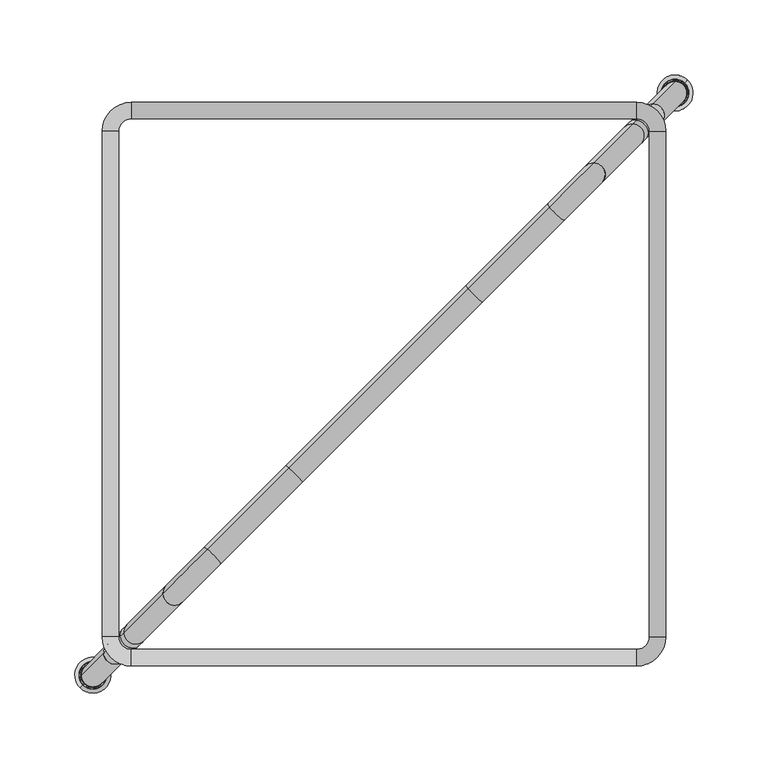
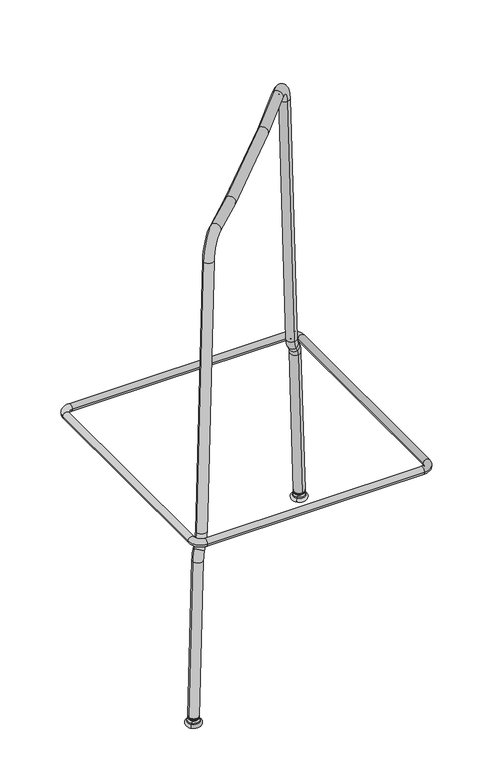
"""IFC4 building model written with IfcOpenShell, lengths in millimetres: furniture geometry."""

from ifc_helpers import new_model, si_unit, point, frame, origin, place, context, project, spatial, polyline, circle_curve, ellipse_curve, trimmed, source, transform, mapped, element, save
from ifc_brep_helpers import plane_surface, cylinder_surface, revolved_surface, advanced_brep


def furniture_5149c031(model_context):
    return source(origin(), model_context, "Body", "AdvancedBrep", [
        advanced_brep(
        [(177.2836681, 168.8127877, 283.0216135), (168.8136525, 177.2828033, 283.0216135), (168.8136525, 188.2827721, 283.0216135), (188.2836369, 168.8127877, 283.0216135), (188.2836369, -168.8202106, 283.0216135), (177.2836681, -168.8202106, 283.0216135), (168.8136525, -177.2902263, 283.0216135), (168.8136525, -188.290195, 283.0216135), (-168.8193458, -188.290195, 283.0216135), (-168.8193458, -177.2902263, 283.0216135), (-177.2893614, -168.8202106, 283.0216135), (-188.2893302, -168.8202106, 283.0216135), (-188.2893302, 168.8127877, 283.0216135), (-177.2893614, 168.8127877, 283.0216135), (-168.8193458, 177.2828033, 283.0216135), (-168.8193458, 188.2827721, 283.0216135)],
        [
            (0, 1, circle_curve(frame((168.8136525, 168.8127877, 283.0216135), z_axis=(0.0, 0.0, 1.0), x_axis=(0.0, 1.0, 0.0)), 8.4700156)),
            (1, 2, circle_curve(frame((168.8136525, 182.7827877, 283.0216135), z_axis=(1.0, 0.0, 0.0), x_axis=(0.0, -1.0, 0.0)), 5.4999844)),
            (2, 3, circle_curve(frame((168.8136525, 168.8127877, 283.0216135), z_axis=(0.0, 0.0, -1.0), x_axis=(0.0, 1.0, 0.0)), 19.4699844)),
            (3, 0, circle_curve(frame((182.7836525, 168.8127877, 283.0216135), z_axis=(0.0, 1.0, 0.0), x_axis=(-1.0, 0.0, 0.0)), 5.4999844)),
            (2, 1, circle_curve(frame((168.8136525, 182.7827877, 283.0216135), z_axis=(1.0, 0.0, 0.0), x_axis=(0.0, -1.0, 0.0)), 5.4999844)),
            (0, 3, circle_curve(frame((182.7836525, 168.8127877, 283.0216135), z_axis=(0.0, 1.0, 0.0), x_axis=(-1.0, 0.0, 0.0)), 5.4999844)),
            (3, 4),
            (4, 5, circle_curve(frame((182.7836525, -168.8202106, 283.0216135), z_axis=(0.0, 1.0, 0.0), x_axis=(-1.0, 0.0, 0.0)), 5.4999844)),
            (5, 0),
            (5, 4, circle_curve(frame((182.7836525, -168.8202106, 283.0216135), z_axis=(0.0, 1.0, 0.0), x_axis=(-1.0, 0.0, 0.0)), 5.4999844)),
            (6, 5, circle_curve(frame((168.8136525, -168.8202106, 283.0216135), z_axis=(0.0, 0.0, 1.0), x_axis=(1.0, 0.0, 0.0)), 8.4700156)),
            (4, 7, circle_curve(frame((168.8136525, -168.8202106, 283.0216135), z_axis=(0.0, 0.0, -1.0), x_axis=(1.0, 0.0, 0.0)), 19.4699844)),
            (7, 6, circle_curve(frame((168.8136525, -182.7902106, 283.0216135), z_axis=(1.0, 0.0, 0.0), x_axis=(0.0, 1.0, 0.0)), 5.4999844)),
            (6, 7, circle_curve(frame((168.8136525, -182.7902106, 283.0216135), z_axis=(1.0, 0.0, 0.0), x_axis=(0.0, 1.0, 0.0)), 5.4999844)),
            (7, 8),
            (8, 9, circle_curve(frame((-168.8193458, -182.7902106, 283.0216135), z_axis=(1.0, 0.0, 0.0), x_axis=(0.0, 1.0, 0.0)), 5.4999844)),
            (9, 6),
            (9, 8, circle_curve(frame((-168.8193458, -182.7902106, 283.0216135), z_axis=(1.0, 0.0, 0.0), x_axis=(0.0, 1.0, 0.0)), 5.4999844)),
            (10, 9, circle_curve(frame((-168.8193458, -168.8202106, 283.0216135), z_axis=(0.0, 0.0, 1.0), x_axis=(0.0, -1.0, 0.0)), 8.4700156)),
            (8, 11, circle_curve(frame((-168.8193458, -168.8202106, 283.0216135), z_axis=(0.0, 0.0, -1.0), x_axis=(0.0, -1.0, 0.0)), 19.4699844)),
            (11, 10, circle_curve(frame((-182.7893458, -168.8202106, 283.0216135), z_axis=(0.0, -1.0, 0.0), x_axis=(1.0, 0.0, 0.0)), 5.4999844)),
            (10, 11, circle_curve(frame((-182.7893458, -168.8202106, 283.0216135), z_axis=(0.0, -1.0, 0.0), x_axis=(1.0, 0.0, 0.0)), 5.4999844)),
            (11, 12),
            (12, 13, circle_curve(frame((-182.7893458, 168.8127877, 283.0216135), z_axis=(0.0, -1.0, 0.0), x_axis=(1.0, 0.0, 0.0)), 5.4999844)),
            (13, 10),
            (13, 12, circle_curve(frame((-182.7893458, 168.8127877, 283.0216135), z_axis=(0.0, -1.0, 0.0), x_axis=(1.0, 0.0, 0.0)), 5.4999844)),
            (14, 13, circle_curve(frame((-168.8193458, 168.8127877, 283.0216135), z_axis=(0.0, 0.0, 1.0), x_axis=(-1.0, 0.0, 0.0)), 8.4700156)),
            (12, 15, circle_curve(frame((-168.8193458, 168.8127877, 283.0216135), z_axis=(0.0, 0.0, -1.0), x_axis=(-1.0, 0.0, 0.0)), 19.4699844)),
            (15, 14, circle_curve(frame((-168.8193458, 182.7827877, 283.0216135), z_axis=(-1.0, 0.0, 0.0), x_axis=(0.0, -1.0, 0.0)), 5.4999844)),
            (14, 15, circle_curve(frame((-168.8193458, 182.7827877, 283.0216135), z_axis=(-1.0, 0.0, 0.0), x_axis=(0.0, -1.0, 0.0)), 5.4999844)),
            (15, 2),
            (1, 14),
        ],
        [
            revolved_surface(trimmed(ellipse_curve(frame((168.8136525, 182.7827877, 283.0216135), z_axis=(-1.0, 0.0, 0.0), x_axis=(0.0, -1.0, 0.0)), 5.4999844, 5.4999844), [point((168.8136525, 188.2827721, 283.0216135))], [point((168.8136525, 177.2828033, 283.0216135))], True, "CARTESIAN"), (168.8136525, 168.8127877, 283.0216135), (0.0, 0.0, -1.0)),
            revolved_surface(trimmed(ellipse_curve(frame((168.8136525, 182.7827877, 283.0216135), z_axis=(-1.0, 0.0, 0.0), x_axis=(0.0, -1.0, 0.0)), 5.4999844, 5.4999844), [point((168.8136525, 177.2828033, 283.0216135))], [point((168.8136525, 188.2827721, 283.0216135))], True, "CARTESIAN"), (168.8136525, 168.8127877, 283.0216135), (0.0, 0.0, -1.0)),
            cylinder_surface(frame((182.7836525, 168.8127877, 283.0216135), z_axis=(0.0, 1.0, 0.0), x_axis=(-1.0, 0.0, 0.0)), 5.4999844),
            revolved_surface(trimmed(ellipse_curve(frame((182.7836525, -168.8202106, 283.0216135), z_axis=(0.0, 1.0, 0.0), x_axis=(-1.0, 0.0, 0.0)), 5.4999844, 5.4999844), [point((188.2836369, -168.8202106, 283.0216135))], [point((177.2836681, -168.8202106, 283.0216135))], True, "CARTESIAN"), (168.8136525, -168.8202106, 283.0216135), (0.0, 0.0, -1.0)),
            revolved_surface(trimmed(ellipse_curve(frame((182.7836525, -168.8202106, 283.0216135), z_axis=(0.0, 1.0, 0.0), x_axis=(-1.0, 0.0, 0.0)), 5.4999844, 5.4999844), [point((177.2836681, -168.8202106, 283.0216135))], [point((188.2836369, -168.8202106, 283.0216135))], True, "CARTESIAN"), (168.8136525, -168.8202106, 283.0216135), (0.0, 0.0, -1.0)),
            cylinder_surface(frame((168.8136525, -182.7902106, 283.0216135), z_axis=(1.0, 0.0, 0.0), x_axis=(0.0, 1.0, 0.0)), 5.4999844),
            revolved_surface(trimmed(ellipse_curve(frame((-168.8193458, -182.7902106, 283.0216135), z_axis=(1.0, 0.0, 0.0), x_axis=(0.0, 1.0, 0.0)), 5.4999844, 5.4999844), [point((-168.8193458, -188.290195, 283.0216135))], [point((-168.8193458, -177.2902263, 283.0216135))], True, "CARTESIAN"), (-168.8193458, -168.8202106, 283.0216135), (0.0, 0.0, -1.0)),
            revolved_surface(trimmed(ellipse_curve(frame((-168.8193458, -182.7902106, 283.0216135), z_axis=(1.0, 0.0, 0.0), x_axis=(0.0, 1.0, 0.0)), 5.4999844, 5.4999844), [point((-168.8193458, -177.2902263, 283.0216135))], [point((-168.8193458, -188.290195, 283.0216135))], True, "CARTESIAN"), (-168.8193458, -168.8202106, 283.0216135), (0.0, 0.0, -1.0)),
            cylinder_surface(frame((-182.7893458, -168.8202106, 283.0216135), z_axis=(0.0, -1.0, 0.0), x_axis=(1.0, 0.0, 0.0)), 5.4999844),
            revolved_surface(trimmed(ellipse_curve(frame((-182.7893458, 168.8127877, 283.0216135), z_axis=(0.0, -1.0, 0.0), x_axis=(1.0, 0.0, 0.0)), 5.4999844, 5.4999844), [point((-188.2893302, 168.8127877, 283.0216135))], [point((-177.2893614, 168.8127877, 283.0216135))], True, "CARTESIAN"), (-168.8193458, 168.8127877, 283.0216135), (0.0, 0.0, -1.0)),
            revolved_surface(trimmed(ellipse_curve(frame((-182.7893458, 168.8127877, 283.0216135), z_axis=(0.0, -1.0, 0.0), x_axis=(1.0, 0.0, 0.0)), 5.4999844, 5.4999844), [point((-177.2893614, 168.8127877, 283.0216135))], [point((-188.2893302, 168.8127877, 283.0216135))], True, "CARTESIAN"), (-168.8193458, 168.8127877, 283.0216135), (0.0, 0.0, -1.0)),
            cylinder_surface(frame((-168.8193458, 182.7827877, 283.0216135), z_axis=(-1.0, 0.0, 0.0), x_axis=(0.0, -1.0, 0.0)), 5.4999844),
        ],
        [
            (0, [[1, 2, 3, 4]]),
            (1, [[-3, 5, -1, 6]]),
            (2, [[-4, 7, 8, 9]]),
            (2, [[-6, -9, 10, -7]]),
            (3, [[11, -8, 12, 13]]),
            (4, [[-12, -10, -11, 14]]),
            (5, [[-13, 15, 16, 17]]),
            (5, [[-14, -17, 18, -15]]),
            (6, [[19, -16, 20, 21]]),
            (7, [[-20, -18, -19, 22]]),
            (8, [[-21, 23, 24, 25]]),
            (8, [[-22, -25, 26, -23]]),
            (9, [[27, -24, 28, 29]]),
            (10, [[-28, -26, -27, 30]]),
            (11, [[-29, 31, -2, 32]]),
            (11, [[-30, -32, -5, -31]]),
        ],
    ),
        advanced_brep(
        [(187.8736161, 188.0302614, 5.4942542), (200.9743694, 201.1310146, 5.4942542), (200.7885454, 200.9451907, 6.9846371), (188.05944, 188.2160853, 6.9846371), (187.8736161, 188.0302614, -0.0154222), (200.9743694, 201.1310146, -0.0154222), (194.4239927, 194.580638, -0.0154222), (194.4239927, 194.580638, 6.9846371)],
        [
            (0, 1, circle_curve(frame((194.4239927, 194.580638, 5.4942542), z_axis=(0.0, 0.0, 1.0), x_axis=(0.7071067811865506, 0.7071067811865445, 0.0)), 9.2636315)),
            (1, 2, circle_curve(frame((204.7328151, 204.8894604, 7.1998356), z_axis=(-0.7071067811865445, 0.7071067811865506, 0.0), x_axis=(0.7071067811865506, 0.7071067811865445, 0.0)), 5.5821893)),
            (2, 3, circle_curve(frame((194.4239927, 194.580638, 6.9846371), z_axis=(0.0, 0.0, -1.0), x_axis=(0.7071067811865506, 0.7071067811865445, 0.0)), 9.0008368)),
            (3, 0, circle_curve(frame((184.1151703, 184.2718156, 7.1998356), z_axis=(-0.7071067811865468, 0.7071067811865482, 0.0), x_axis=(-0.7071067811865482, -0.7071067811865468, 0.0)), 5.5821893)),
            (1, 0, circle_curve(frame((194.4239927, 194.580638, 5.4942542), z_axis=(0.0, 0.0, 1.0), x_axis=(0.7071067811865506, 0.7071067811865445, 0.0)), 9.2636315)),
            (3, 2, circle_curve(frame((194.4239927, 194.580638, 6.9846371), z_axis=(0.0, 0.0, -1.0), x_axis=(0.7071067811865506, 0.7071067811865445, 0.0)), 9.0008368)),
            (4, 5, circle_curve(frame((194.4239927, 194.580638, -0.0154222), z_axis=(0.0, 0.0, 1.0), x_axis=(0.7071067811865506, 0.7071067811865445, 0.0)), 9.2636315)),
            (5, 1, circle_curve(frame((200.9743694, 201.1310146, 2.739416), z_axis=(0.7071067811865445, -0.7071067811865506, 0.0), x_axis=(0.7071067811865506, 0.7071067811865445, 0.0)), 2.7548382)),
            (0, 4, circle_curve(frame((187.8736161, 188.0302614, 2.739416), z_axis=(0.7071067811865468, -0.7071067811865482, 0.0), x_axis=(-0.7071067811865482, -0.7071067811865468, 0.0)), 2.7548382)),
            (5, 4, circle_curve(frame((194.4239927, 194.580638, -0.0154222), z_axis=(0.0, 0.0, 1.0), x_axis=(0.7071067811865506, 0.7071067811865445, 0.0)), 9.2636315)),
            (6, 5),
            (4, 6),
            (2, 7),
            (7, 3),
        ],
        [
            revolved_surface(trimmed(ellipse_curve(frame((204.7328151, 204.8894604, 7.1998356), z_axis=(0.7071067811865445, -0.7071067811865506, 0.0), x_axis=(0.7071067811865506, 0.7071067811865445, 0.0)), 5.5821893, 5.5821893), [point((200.7885454, 200.9451907, 6.9846371))], [point((200.9743694, 201.1310146, 5.4942542))], True, "CARTESIAN"), (194.4239927, 194.580638, 6.9846371), (0.0, 0.0, -1.0)),
            revolved_surface(trimmed(ellipse_curve(frame((200.9743694, 201.1310146, 2.739416), z_axis=(-0.7071067811865445, 0.7071067811865506, 0.0), x_axis=(0.7071067811865506, 0.7071067811865445, 0.0)), 2.7548382, 2.7548382), [point((200.9743694, 201.1310146, 5.4942542))], [point((200.9743694, 201.1310146, -0.0154222))], True, "CARTESIAN"), (194.4239927, 194.580638, 6.9846371), (0.0, 0.0, -1.0)),
            plane_surface(frame((194.4239927, 194.580638, -0.0154222), z_axis=(0.0, 0.0, -1.0), x_axis=(0.7071067811865506, 0.7071067811865445, 0.0))),
            plane_surface(frame((194.4239927, 194.580638, 6.9846371), z_axis=(0.0, 0.0, 1.0), x_axis=(0.7071067811865506, 0.7071067811865445, 0.0))),
        ],
        [
            (0, [[1, 2, 3, 4]]),
            (0, [[5, -4, 6, -2]]),
            (1, [[7, 8, -1, 9]]),
            (1, [[10, -9, -5, -8]]),
            (2, [[11, -7, 12]]),
            (2, [[-12, -10, -11]]),
            (3, [[-3, 13, 14]]),
            (3, [[-6, -14, -13]]),
        ],
    ),
        advanced_brep(
        [(188.7861989, 188.9428442, 12.2870613), (200.0569189, 200.2135642, 13.6815611), (194.4215589, 194.5782042, 12.9843112), (188.9026175, 189.0592628, 11.0466917), (200.0945712, 200.2512165, 12.4314459), (188.9403435, 189.0969888, 9.7965877), (200.2109158, 200.3675611, 11.1910692), (189.7849487, 189.941594, 9.9010887), (199.3663107, 199.522956, 11.0865682), (194.8507861, 195.0074314, 6.0460521)],
        [
            (0, 1, circle_curve(frame((194.4215589, 194.5782042, 12.9843112), z_axis=(-0.06162841671622309, -0.061628416716222836, 0.9961946980917451), x_axis=(0.7044160264027615, 0.7044160264027554, 0.08715574274766327)), 8.0000452)),
            (1, 2),
            (2, 0),
            (1, 0, circle_curve(frame((194.4215589, 194.5782042, 12.9843112), z_axis=(-0.06162841671622309, -0.061628416716222836, 0.9961946980917451), x_axis=(0.7044160264027615, 0.7044160264027554, 0.08715574274766327)), 8.0000452)),
            (3, 4, circle_curve(frame((194.4985943, 194.6552396, 11.7390688), z_axis=(-0.06162841671622309, -0.061628416716222836, 0.9961946980917451), x_axis=(0.7044160264027615, 0.7044160264027554, 0.08715574274766327)), 7.9441362)),
            (4, 1),
            (0, 3),
            (4, 3, circle_curve(frame((194.4985943, 194.6552396, 11.7390688), z_axis=(-0.06162841671622309, -0.061628416716222836, 0.9961946980917451), x_axis=(0.7044160264027615, 0.7044160264027554, 0.08715574274766327)), 7.9441362)),
            (5, 6, circle_curve(frame((194.5756297, 194.732275, 10.4938285), z_axis=(-0.06162841671622309, -0.061628416716222836, 0.9961946980917451), x_axis=(0.7044160264027615, 0.7044160264027554, 0.08715574274766327)), 7.9999403)),
            (6, 4),
            (3, 5),
            (6, 5, circle_curve(frame((194.5756297, 194.732275, 10.4938285), z_axis=(-0.06162841671622309, -0.061628416716222836, 0.9961946980917451), x_axis=(0.7044160264027615, 0.7044160264027554, 0.08715574274766327)), 7.9999403)),
            (7, 8, circle_curve(frame((194.5756297, 194.732275, 10.4938285), z_axis=(-0.06162841671622309, -0.061628416716222836, 0.9961946980917451), x_axis=(0.7044160264027615, 0.7044160264027554, 0.08715574274766327)), 6.8009256)),
            (8, 6),
            (5, 7),
            (8, 7, circle_curve(frame((194.5756297, 194.732275, 10.4938285), z_axis=(-0.06162841671622309, -0.061628416716222836, 0.9961946980917451), x_axis=(0.7044160264027615, 0.7044160264027554, 0.08715574274766327)), 6.8009256)),
            (9, 8, circle_curve(frame((194.3374983, 194.4941436, 13.5311766), z_axis=(0.7071067811865442, -0.7071067811865508, 0.0), x_axis=(0.7071067811865508, 0.7071067811865444, 0.0)), 7.5202405)),
            (7, 9, circle_curve(frame((194.437194, 194.5938393, 13.5435117), z_axis=(0.7071067811865466, -0.7071067811865485, 0.0), x_axis=(-0.6963642403200181, -0.6963642403200163, -0.17364817766694468)), 7.5202405)),
        ],
        [
            plane_surface(frame((194.4215589, 194.5782042, 12.9843112), z_axis=(-0.061628416716223225, -0.06162841671622269, 0.9961946980917451), x_axis=(0.7044160264027615, 0.7044160264027554, 0.08715574274766327))),
            revolved_surface(polyline([(200.0569189, 200.2135642, 13.6815611), (200.0945712, 200.2512165, 12.4314459)]), (194.4215589, 194.5782042, 12.9843112), (0.06162841671622309, 0.061628416716222836, -0.9961946980917451)),
            revolved_surface(polyline([(200.0945712, 200.2512165, 12.4314459), (200.2109158, 200.3675611, 11.1910692)]), (194.4215589, 194.5782042, 12.9843112), (0.06162841671622309, 0.061628416716222836, -0.9961946980917451)),
            plane_surface(frame((194.5756297, 194.732275, 10.4938285), z_axis=(0.061628416716223225, 0.06162841671622269, -0.9961946980917451), x_axis=(0.7044160264027615, 0.7044160264027554, 0.08715574274766327))),
            revolved_surface(trimmed(ellipse_curve(frame((194.3374983, 194.4941436, 13.5311766), z_axis=(-0.7071067811865442, 0.7071067811865508, 0.0), x_axis=(0.7071067811865508, 0.7071067811865444, 0.0)), 7.5202405, 7.5202405), [point((199.3663107, 199.522956, 11.0865682))], [point((194.8507861, 195.0074314, 6.0460521))], True, "CARTESIAN"), (194.4215589, 194.5782042, 12.9843112), (0.06162841671622309, 0.061628416716222836, -0.9961946980917451)),
        ],
        [
            (0, [[1, 2, 3]]),
            (0, [[4, -3, -2]]),
            (1, [[5, 6, -1, 7]]),
            (1, [[8, -7, -4, -6]]),
            (2, [[9, 10, -5, 11]]),
            (2, [[12, -11, -8, -10]]),
            (3, [[13, 14, -9, 15]]),
            (3, [[16, -15, -12, -14]]),
            (4, [[17, -13, 18]]),
            (4, [[-18, -16, -17]]),
        ],
    ),
        advanced_brep(
        [(-188.2311376, -188.0744923, 6.9846371), (-200.960243, -200.8035977, 6.9846371), (-201.1460669, -200.9894216, 5.4942542), (-188.0453136, -187.8886683, 5.4942542), (-201.1460669, -200.9894216, -0.0154222), (-188.0453136, -187.8886683, -0.0154222), (-194.5956903, -194.439045, -0.0154222), (-194.5956903, -194.439045, 6.9846371)],
        [
            (0, 1, circle_curve(frame((-194.5956903, -194.439045, 6.9846371), z_axis=(0.0, 0.0, -1.0), x_axis=(-0.7071067811865459, -0.7071067811865491, 0.0)), 9.0008368)),
            (1, 2, circle_curve(frame((-204.9045127, -204.7478674, 7.1998356), z_axis=(-0.7071067811865491, 0.7071067811865459, 0.0), x_axis=(-0.7071067811865459, -0.7071067811865491, 0.0)), 5.5821893)),
            (2, 3, circle_curve(frame((-194.5956903, -194.439045, 5.4942542), z_axis=(0.0, 0.0, 1.0), x_axis=(-0.7071067811865459, -0.7071067811865491, 0.0)), 9.2636315)),
            (3, 0, circle_curve(frame((-184.2868678, -184.1302226, 7.1998356), z_axis=(-0.7071067811865468, 0.7071067811865482, 0.0), x_axis=(0.7071067811865482, 0.7071067811865468, 0.0)), 5.5821893)),
            (1, 0, circle_curve(frame((-194.5956903, -194.439045, 6.9846371), z_axis=(0.0, 0.0, -1.0), x_axis=(-0.7071067811865459, -0.7071067811865491, 0.0)), 9.0008368)),
            (3, 2, circle_curve(frame((-194.5956903, -194.439045, 5.4942542), z_axis=(0.0, 0.0, 1.0), x_axis=(-0.7071067811865459, -0.7071067811865491, 0.0)), 9.2636315)),
            (2, 4, circle_curve(frame((-201.1460669, -200.9894216, 2.739416), z_axis=(0.7071067811865491, -0.7071067811865459, 0.0), x_axis=(-0.7071067811865459, -0.7071067811865491, 0.0)), 2.7548382)),
            (4, 5, circle_curve(frame((-194.5956903, -194.439045, -0.0154222), z_axis=(0.0, 0.0, 1.0), x_axis=(-0.7071067811865459, -0.7071067811865491, 0.0)), 9.2636315)),
            (5, 3, circle_curve(frame((-188.0453136, -187.8886683, 2.739416), z_axis=(0.7071067811865468, -0.7071067811865482, 0.0), x_axis=(0.7071067811865482, 0.7071067811865468, 0.0)), 2.7548382)),
            (5, 4, circle_curve(frame((-194.5956903, -194.439045, -0.0154222), z_axis=(0.0, 0.0, 1.0), x_axis=(-0.7071067811865459, -0.7071067811865491, 0.0)), 9.2636315)),
            (4, 6),
            (6, 5),
            (7, 1),
            (0, 7),
        ],
        [
            revolved_surface(trimmed(ellipse_curve(frame((-204.9045127, -204.7478674, 7.1998356), z_axis=(0.7071067811865491, -0.7071067811865459, 0.0), x_axis=(-0.7071067811865459, -0.7071067811865491, 0.0)), 5.5821893, 5.5821893), [point((-201.1460669, -200.9894216, 5.4942542))], [point((-200.960243, -200.8035977, 6.9846371))], True, "CARTESIAN"), (-194.5956903, -194.439045, 6.9846371), (0.0, 0.0, 1.0)),
            revolved_surface(trimmed(ellipse_curve(frame((-201.1460669, -200.9894216, 2.739416), z_axis=(-0.7071067811865491, 0.7071067811865459, 0.0), x_axis=(-0.7071067811865459, -0.7071067811865491, 0.0)), 2.7548382, 2.7548382), [point((-201.1460669, -200.9894216, -0.0154222))], [point((-201.1460669, -200.9894216, 5.4942542))], True, "CARTESIAN"), (-194.5956903, -194.439045, 6.9846371), (0.0, 0.0, 1.0)),
            plane_surface(frame((-194.5956903, -194.439045, -0.0154222), z_axis=(0.0, 0.0, -1.0), x_axis=(-0.7071067811865459, -0.7071067811865491, 0.0))),
            plane_surface(frame((-194.5956903, -194.439045, 6.9846371), z_axis=(0.0, 0.0, 1.0), x_axis=(-0.7071067811865459, -0.7071067811865491, 0.0))),
        ],
        [
            (0, [[1, 2, 3, 4]]),
            (0, [[5, -4, 6, -2]]),
            (1, [[-3, 7, 8, 9]]),
            (1, [[-6, -9, 10, -7]]),
            (2, [[-8, 11, 12]]),
            (2, [[-10, -12, -11]]),
            (3, [[13, -1, 14]]),
            (3, [[-14, -5, -13]]),
        ],
    ),
        advanced_brep(
        [(-194.5932564, -194.4366111, 12.9843112), (-200.2286165, -200.0719712, 13.6815611), (-188.9578964, -188.8012511, 12.2870613), (-200.2662687, -200.1096234, 12.4314459), (-189.074315, -188.9176697, 11.0466917), (-200.3826134, -200.2259681, 11.1910692), (-189.1120411, -188.9553958, 9.7965877), (-199.5380082, -199.3813629, 11.0865682), (-189.9566462, -189.8000009, 9.9010887), (-195.0224837, -194.8658384, 6.0460521)],
        [
            (0, 1),
            (1, 2, circle_curve(frame((-194.5932564, -194.4366111, 12.9843112), z_axis=(0.06162841671622601, 0.06162841671622601, 0.9961946980917448), x_axis=(-0.7044160264027566, -0.7044160264027597, 0.08715574274766758)), 8.0000452)),
            (2, 0),
            (2, 1, circle_curve(frame((-194.5932564, -194.4366111, 12.9843112), z_axis=(0.06162841671622601, 0.06162841671622601, 0.9961946980917448), x_axis=(-0.7044160264027566, -0.7044160264027597, 0.08715574274766758)), 8.0000452)),
            (1, 3),
            (3, 4, circle_curve(frame((-194.6702919, -194.5136466, 11.7390688), z_axis=(0.06162841671622601, 0.06162841671622601, 0.9961946980917448), x_axis=(-0.7044160264027566, -0.7044160264027597, 0.08715574274766758)), 7.9441362)),
            (4, 2),
            (4, 3, circle_curve(frame((-194.6702919, -194.5136466, 11.7390688), z_axis=(0.06162841671622601, 0.06162841671622601, 0.9961946980917448), x_axis=(-0.7044160264027566, -0.7044160264027597, 0.08715574274766758)), 7.9441362)),
            (3, 5),
            (5, 6, circle_curve(frame((-194.7473272, -194.5906819, 10.4938285), z_axis=(0.06162841671622601, 0.06162841671622601, 0.9961946980917448), x_axis=(-0.7044160264027566, -0.7044160264027597, 0.08715574274766758)), 7.9999403)),
            (6, 4),
            (6, 5, circle_curve(frame((-194.7473272, -194.5906819, 10.4938285), z_axis=(0.06162841671622601, 0.06162841671622601, 0.9961946980917448), x_axis=(-0.7044160264027566, -0.7044160264027597, 0.08715574274766758)), 7.9999403)),
            (5, 7),
            (7, 8, circle_curve(frame((-194.7473272, -194.5906819, 10.4938285), z_axis=(0.06162841671622601, 0.06162841671622601, 0.9961946980917448), x_axis=(-0.7044160264027566, -0.7044160264027597, 0.08715574274766758)), 6.8009256)),
            (8, 6),
            (8, 7, circle_curve(frame((-194.7473272, -194.5906819, 10.4938285), z_axis=(0.06162841671622601, 0.06162841671622601, 0.9961946980917448), x_axis=(-0.7044160264027566, -0.7044160264027597, 0.08715574274766758)), 6.8009256)),
            (7, 9, circle_curve(frame((-194.5091959, -194.3525506, 13.5311766), z_axis=(0.707106781186549, -0.707106781186546, 0.0), x_axis=(-0.7071067811865461, -0.707106781186549, 0.0)), 7.5202405)),
            (9, 8, circle_curve(frame((-194.6088915, -194.4522462, 13.5435117), z_axis=(0.7071067811865467, -0.7071067811865483, 0.0), x_axis=(0.6963642403200175, 0.6963642403200158, -0.17364817766694896)), 7.5202405)),
        ],
        [
            plane_surface(frame((-194.5932564, -194.4366111, 12.9843112), z_axis=(0.06162841671622586, 0.06162841671622614, 0.9961946980917448), x_axis=(-0.7044160264027566, -0.7044160264027597, 0.08715574274766758))),
            revolved_surface(polyline([(-200.2662687, -200.1096234, 12.4314459), (-200.2286165, -200.0719712, 13.6815611)]), (-194.5932564, -194.4366111, 12.9843112), (0.06162841671622601, 0.06162841671622601, 0.9961946980917448)),
            revolved_surface(polyline([(-200.3826134, -200.2259681, 11.1910692), (-200.2662687, -200.1096234, 12.4314459)]), (-194.5932564, -194.4366111, 12.9843112), (0.06162841671622601, 0.06162841671622601, 0.9961946980917448)),
            plane_surface(frame((-194.7473272, -194.5906819, 10.4938285), z_axis=(-0.06162841671622586, -0.06162841671622614, -0.9961946980917448), x_axis=(-0.7044160264027566, -0.7044160264027597, 0.08715574274766758))),
            revolved_surface(trimmed(ellipse_curve(frame((-194.5091959, -194.3525506, 13.5311766), z_axis=(-0.707106781186549, 0.707106781186546, 0.0), x_axis=(-0.7071067811865461, -0.707106781186549, 0.0)), 7.5202405, 7.5202405), [point((-195.0224837, -194.8658384, 6.0460521))], [point((-199.5380082, -199.3813629, 11.0865682))], True, "CARTESIAN"), (-194.5932564, -194.4366111, 12.9843112), (0.06162841671622601, 0.06162841671622601, 0.9961946980917448)),
        ],
        [
            (0, [[1, 2, 3]]),
            (0, [[-3, 4, -1]]),
            (1, [[-2, 5, 6, 7]]),
            (1, [[-4, -7, 8, -5]]),
            (2, [[-6, 9, 10, 11]]),
            (2, [[-8, -11, 12, -9]]),
            (3, [[-10, 13, 14, 15]]),
            (3, [[-12, -15, 16, -13]]),
            (4, [[-14, 17, 18]]),
            (4, [[-16, -18, -17]]),
        ],
    ),
        advanced_brep(
        [(-186.6960732, -194.5056057, 12.5000295), (-202.2542379, -194.4462896, 13.4588476), (-187.287584, -179.4796357, 255.3878474), (-171.7294193, -179.5389519, 254.4290293), (-168.826693, -176.6362256, 264.162962), (-182.5300521, -174.7221038, 271.3416406), (-176.4076173, -168.599669, 281.3962539), (-162.7042582, -170.5137908, 274.2175753), (-158.2180363, -166.0275688, 289.2615642), (-173.7762009, -165.9682527, 290.2203823), (-147.7750969, -139.9671486, 710.516139), (-132.2169322, -140.0264647, 709.5573209), (-111.3946179, -119.2041504, 733.3109666), (-118.2260864, -110.4181381, 744.225011), (-56.4879046, -64.2974372, 725.8674029), (-63.790003, -55.9820547, 736.8452493), (64.2908322, 56.4812997, 725.8674029), (55.9754497, 63.783398, 736.8452493), (119.1975455, 111.3880129, 733.3109666), (110.4115331, 118.2194814, 744.225011), (140.0198598, 132.2103272, 709.5573209), (139.9605436, 147.7684919, 710.516139), (165.9616477, 173.769596, 290.2203823), (166.0209639, 158.2114313, 289.2615642), (170.5071858, 162.6976533, 274.2175753), (168.5930641, 176.4010124, 281.3962539), (174.7154989, 182.5234472, 271.3416406), (176.6296206, 168.8200881, 264.162962), (179.5323469, 171.7228144, 254.4290293), (179.4730308, 187.2809791, 255.3878474), (194.4989366, 186.6894041, 12.5010667), (194.4396205, 202.2475687, 13.4598848)],
        [
            (0, 1, circle_curve(frame((-194.4751555, -194.4759477, 12.9794385), z_axis=(-0.061628416716221775, -0.06162841671622219, -0.9961946980917452), x_axis=(-0.9980991625349916, 0.0038052949942387533, 0.061510824063372015)), 7.7938973)),
            (1, 0, circle_curve(frame((-194.4751555, -194.4759477, 12.9794385), z_axis=(-0.061628416716221775, -0.06162841671622219, -0.9961946980917452), x_axis=(-0.9980991625349916, 0.0038052949942387533, 0.061510824063372015)), 7.7938973)),
            (1, 2),
            (2, 3, circle_curve(frame((-179.5085017, -179.5092938, 254.9084384), z_axis=(-0.061628416716221775, -0.06162841671622219, -0.9961946980917452), x_axis=(-0.9980991625349916, 0.0038052949942387533, 0.061510824063372015)), 7.7938973)),
            (3, 0),
            (3, 2, circle_curve(frame((-179.5085017, -179.5092938, 254.9084384), z_axis=(-0.061628416716221775, -0.06162841671622219, -0.9961946980917452), x_axis=(-0.9980991625349916, 0.0038052949942387533, 0.061510824063372015)), 7.7938973)),
            (4, 3, circle_curve(frame((-159.601756, -167.4112886, 252.928502), z_axis=(0.7071067811865491, -0.7071067811865459, 0.0), x_axis=(-0.704416026402757, -0.7044160264027602, 0.08715574274765896)), 17.2166204)),
            (2, 5, circle_curve(frame((-167.4104964, -159.6025481, 252.928502), z_axis=(-0.7071067811865491, 0.7071067811865459, 0.0), x_axis=(-0.704416026402757, -0.7044160264027602, 0.08715574274765896)), 28.2178242)),
            (5, 4, circle_curve(frame((-175.6783726, -175.6791647, 267.7523013), z_axis=(-0.4614124422001995, -0.4614124422002016, -0.7577579536802589), x_axis=(-0.8791082698817526, 0.1227961876474784, 0.46053202508051166)), 7.7938973)),
            (4, 5, circle_curve(frame((-175.6783726, -175.6791647, 267.7523013), z_axis=(-0.4614124422002027, -0.46141244220020483, -0.7577579536802552), x_axis=(-0.8791082698817507, 0.12279618764748024, 0.46053202508051483)), 7.7938973)),
            (5, 6),
            (6, 7, circle_curve(frame((-169.5559378, -169.5567299, 277.8069146), z_axis=(-0.461412442200197, -0.46141244220019706, -0.7577579536802631), x_axis=(-0.8791082698817542, 0.1227961876474768, 0.460532025080509)), 7.7938973)),
            (7, 4),
            (7, 6, circle_curve(frame((-169.5559378, -169.5567299, 277.8069146), z_axis=(-0.461412442200197, -0.46141244220019706, -0.7577579536802631), x_axis=(-0.8791082698817542, 0.1227961876474768, 0.460532025080509)), 7.7938973)),
            (8, 7, circle_curve(frame((-176.9615841, -184.7711167, 291.5806594), z_axis=(-0.7071067811865491, 0.7071067811865459, 0.0), x_axis=(0.5358157875453557, 0.5358157875453581, -0.6525357336072085)), 26.6086334)),
            (6, 9, circle_curve(frame((-184.7703245, -176.9623762, 291.5806594), z_axis=(0.7071067811865491, -0.7071067811865459, 0.0), x_axis=(0.5358157875453557, 0.5358157875453581, -0.6525357336072085)), 15.6074296)),
            (9, 8, circle_curve(frame((-165.9971186, -165.9979107, 289.7409733), z_axis=(-0.061628416716227014, -0.06162841671622768, -0.9961946980917443), x_axis=(-0.9980991625349914, 0.00380529499423915, 0.06151082406337738)), 7.7938973)),
            (8, 9, circle_curve(frame((-165.9971186, -165.9979107, 289.7409733), z_axis=(-0.0616284167162259, -0.061628416716226514, -0.9961946980917445), x_axis=(-0.9980991625349914, 0.003805294994239039, 0.06151082406337621)), 7.7938973)),
            (9, 10),
            (10, 11, circle_curve(frame((-139.9960145, -139.9968066, 710.03673), z_axis=(-0.06162841671622353, -0.06162841671622405, -0.996194698091745), x_axis=(-0.9980991625349915, 0.0038052949942387615, 0.06151082406337377)), 7.7938973)),
            (11, 8),
            (11, 10, circle_curve(frame((-139.9960145, -139.9968066, 710.03673), z_axis=(-0.06162841671622353, -0.06162841671622405, -0.996194698091745), x_axis=(-0.9980991625349915, 0.0038052949942387615, 0.06151082406337377)), 7.7938973)),
            (12, 11, circle_curve(frame((-113.7264355, -121.535968, 707.2695352), z_axis=(0.7071067811865491, -0.7071067811865459, 0.0), x_axis=(-0.704416026402757, -0.7044160264027602, 0.08715574274765985)), 26.2493981)),
            (10, 13, circle_curve(frame((-121.5351759, -113.7272276, 707.2695352), z_axis=(-0.7071067811865491, 0.7071067811865459, 0.0), x_axis=(-0.704416026402757, -0.7044160264027602, 0.08715574274765985)), 37.2506019)),
            (13, 12, circle_curve(frame((-114.8103521, -114.8111443, 738.7679888), z_axis=(-0.7015045727917347, -0.7015045727917382, 0.12562909179233628), x_axis=(-0.43825753876420476, 0.5636469187650283, 0.7001660379388815)), 7.7938973)),
            (12, 13, circle_curve(frame((-114.8103521, -114.8111443, 738.7679888), z_axis=(-0.7015045727917348, -0.7015045727917383, 0.1256290917923352), x_axis=(-0.43825753876420526, 0.5636469187650277, 0.7001660379388818)), 7.7938973)),
            (14, 12, circle_curve(frame((2.6202275, -5.1893051, 2006.6137382), z_axis=(-0.7071067811865491, 0.7071067811865459, 0.0), x_axis=(-0.08883318272066863, -0.08883318272066903, -0.9920772809088174)), 1283.4713545)),
            (13, 15, circle_curve(frame((-5.188513, 2.6194353, 2006.6137382), z_axis=(0.7071067811865491, -0.7071067811865459, 0.0), x_axis=(-0.08883318272066863, -0.08883318272066903, -0.9920772809088174)), 1272.4701507)),
            (15, 14, circle_curve(frame((-60.1389538, -60.1397459, 731.3563261), z_axis=(-0.7056054780353367, -0.7056054780353401, 0.0651292463724508), x_axis=(-0.46844974185632304, 0.5334547156729095, 0.7042591182803952)), 7.7938973)),
            (14, 15, circle_curve(frame((-60.1389538, -60.1397459, 731.3563261), z_axis=(-0.7056054780353367, -0.7056054780353401, 0.06512924637245082), x_axis=(-0.46844974185632304, 0.5334547156729095, 0.7042591182803952)), 7.7938973)),
            (16, 14, circle_curve(frame((3.9014638, -3.9080688, 2034.375379), z_axis=(-0.7071067811865491, 0.707106781186546, 0.0), x_axis=(-0.04605333176352923, -0.04605333176352943, -0.9978768367223265)), 1311.2920633)),
            (15, 17, circle_curve(frame((-3.9072766, 3.9006717, 2034.375379), z_axis=(0.7071067811865491, -0.707106781186546, 0.0), x_axis=(-0.04605333176352923, -0.04605333176352943, -0.9978768367223265)), 1300.2908595)),
            (17, 16, circle_curve(frame((60.133141, 60.1323488, 731.3563261), z_axis=(-0.7056054780353331, -0.7056054780353366, -0.06512924637252591), x_axis=(-0.5334547156729492, 0.4684497418562831, 0.7042591182803917)), 7.7938973)),
            (16, 17, circle_curve(frame((60.133141, 60.1323488, 731.3563261), z_axis=(-0.7056054780353331, -0.7056054780353366, -0.06512924637252589), x_axis=(-0.5334547156729492, 0.4684497418562831, 0.7042591182803917)), 7.7938973)),
            (18, 16, circle_curve(frame((5.1827001, -2.6268324, 2006.6137382), z_axis=(-0.7071067811865501, 0.707106781186545, 0.0), x_axis=(0.0460533317635822, 0.04605333176358253, -0.9978768367223215)), 1283.4713545)),
            (17, 19, circle_curve(frame((-2.6260403, 5.181908, 2006.6137382), z_axis=(0.7071067811865501, -0.707106781186545, 0.0), x_axis=(0.0460533317635822, 0.04605333176358253, -0.9978768367223215)), 1272.4701507)),
            (19, 18, circle_curve(frame((114.8045393, 114.8037472, 738.7679888), z_axis=(-0.7015045727917344, -0.7015045727917393, -0.12562909179233261), x_axis=(-0.5636469187650291, 0.4382575387642033, 0.7001660379388819)), 7.7938973)),
            (18, 19, circle_curve(frame((114.8045393, 114.8037472, 738.7679888), z_axis=(-0.7015045727917342, -0.7015045727917391, -0.12562909179233495), x_axis=(-0.5636469187650304, 0.43825753876420215, 0.7001660379388817)), 7.7938973)),
            (20, 18, circle_curve(frame((121.5293631, 113.7198305, 707.2695352), z_axis=(0.7071067811865501, -0.707106781186545, 0.0), x_axis=(-0.08883318272085904, -0.08883318272085967, 0.9920772809087832)), 26.2493981)),
            (19, 21, circle_curve(frame((113.7206226, 121.5285709, 707.2695352), z_axis=(-0.7071067811865501, 0.707106781186545, 0.0), x_axis=(-0.08883318272085904, -0.08883318272085967, 0.9920772809087832)), 37.2506019)),
            (21, 20, circle_curve(frame((139.9902017, 139.9894096, 710.03673), z_axis=(-0.06162841671622894, -0.06162841671622938, 0.9961946980917445), x_axis=(-0.003805294994245201, 0.9980991625349914, 0.06151082406337924)), 7.7938973)),
            (20, 21, circle_curve(frame((139.9902017, 139.9894096, 710.03673), z_axis=(-0.06162841671623129, -0.06162841671623173, 0.9961946980917442), x_axis=(-0.003805294994245423, 0.9980991625349912, 0.06151082406338157)), 7.7938973)),
            (21, 22),
            (22, 23, circle_curve(frame((165.9913058, 165.9905136, 289.7409733), z_axis=(-0.06162841671622578, -0.06162841671622613, 0.9961946980917447), x_axis=(-0.003805294994244867, 0.9980991625349915, 0.06151082406337601)), 7.7938973)),
            (23, 20),
            (23, 22, circle_curve(frame((165.9913058, 165.9905136, 289.7409733), z_axis=(-0.06162841671622578, -0.06162841671622613, 0.9961946980917447), x_axis=(-0.003805294994244867, 0.9980991625349915, 0.06151082406337601)), 7.7938973)),
            (24, 23, circle_curve(frame((184.7645117, 176.9549791, 291.5806594), z_axis=(-0.7071067811865501, 0.707106781186545, 0.0), x_axis=(-0.704416026402756, -0.704416026402761, -0.08715574274766073)), 26.6086334)),
            (22, 25, circle_curve(frame((176.9557713, 184.7637196, 291.5806594), z_axis=(0.7071067811865501, -0.707106781186545, 0.0), x_axis=(-0.704416026402756, -0.704416026402761, -0.08715574274766073)), 15.6074296)),
            (25, 24, circle_curve(frame((169.5501249, 169.5493328, 277.8069146), z_axis=(-0.4614124422001972, -0.4614124422002004, 0.7577579536802609), x_axis=(-0.12279618764748257, 0.879108269881753, 0.46053202508051005)), 7.7938973)),
            (24, 25, circle_curve(frame((169.5501249, 169.5493328, 277.8069146), z_axis=(-0.4614124422001956, -0.4614124422001988, 0.7577579536802628), x_axis=(-0.12279618764748157, 0.879108269881754, 0.4605320250805084)), 7.7938973)),
            (25, 26),
            (26, 27, circle_curve(frame((175.6725597, 175.6717676, 267.7523013), z_axis=(-0.46141244220019617, -0.46141244220020144, 0.757757953680261), x_axis=(-0.12279618764748315, 0.8791082698817525, 0.4605320250805107)), 7.7938973)),
            (27, 24),
            (27, 26, circle_curve(frame((175.6725597, 175.6717676, 267.7523013), z_axis=(-0.46141244220019617, -0.46141244220020144, 0.757757953680261), x_axis=(-0.12279618764748315, 0.8791082698817525, 0.4605320250805107)), 7.7938973)),
            (28, 27, circle_curve(frame((167.4046836, 159.595151, 252.928502), z_axis=(0.7071067811865501, -0.707106781186545, 0.0), x_axis=(0.5358157875453494, 0.5358157875453533, 0.6525357336072178)), 17.2166204)),
            (26, 29, circle_curve(frame((159.5959432, 167.4038915, 252.928502), z_axis=(-0.7071067811865501, 0.707106781186545, 0.0), x_axis=(0.5358157875453494, 0.5358157875453533, 0.6525357336072178)), 28.2178242)),
            (29, 28, circle_curve(frame((179.5026888, 179.5018967, 254.9084384), z_axis=(-0.06162841671622696, -0.06162841671622685, 0.9961946980917447), x_axis=(-0.0038052949942449787, 0.9980991625349914, 0.06151082406337677)), 7.7938973)),
            (28, 29, circle_curve(frame((179.5026888, 179.5018967, 254.9084384), z_axis=(-0.06162841671622646, -0.0616284167162264, 0.9961946980917447), x_axis=(-0.0038052949942448677, 0.9980991625349914, 0.06151082406337638)), 7.7938973)),
            (30, 31, circle_curve(frame((194.4692785, 194.4684864, 12.9804757), z_axis=(0.061628416716224356, 0.061628416716224196, -0.996194698091745), x_axis=(-0.0038052949942450898, 0.9980991625349916, 0.06151082406337405)), 7.7938973)),
            (31, 30, circle_curve(frame((194.4692785, 194.4684864, 12.9804757), z_axis=(0.061628416716224356, 0.061628416716224196, -0.996194698091745), x_axis=(-0.0038052949942450898, 0.9980991625349916, 0.06151082406337405)), 7.7938973)),
            (29, 31),
            (30, 28),
        ],
        [
            plane_surface(frame((-194.4751555, -194.4759477, 12.9794385), z_axis=(-0.06162841671622178, -0.061628416716222205, -0.9961946980917453), x_axis=(-0.7071067811865492, 0.7071067811865459, 0.0))),
            cylinder_surface(frame((-194.4751555, -194.4759477, 12.9794385), z_axis=(-0.061628416716221775, -0.06162841671622219, -0.9961946980917452), x_axis=(-0.9980991625349916, 0.0038052949942387533, 0.061510824063372015)), 7.7938973),
            revolved_surface(trimmed(ellipse_curve(frame((-179.5085017, -179.5092938, 254.9084384), z_axis=(-0.06162841671621987, -0.06162841671622018, -0.9961946980917457), x_axis=(-0.9980991625349919, 0.0038052949942386505, 0.0615108240633701)), 7.7938973, 7.7938973), [point((-187.287584, -179.4796357, 255.3878474))], [point((-171.7294193, -179.5389519, 254.4290293))], True, "CARTESIAN"), (-163.5061262, -163.5069183, 252.928502), (-0.7071067811865491, 0.7071067811865459, 0.0)),
            revolved_surface(trimmed(ellipse_curve(frame((-179.5085017, -179.5092938, 254.9084384), z_axis=(-0.06162841671621987, -0.06162841671622018, -0.9961946980917457), x_axis=(-0.9980991625349919, 0.0038052949942386505, 0.0615108240633701)), 7.7938973, 7.7938973), [point((-171.7294193, -179.5389519, 254.4290293))], [point((-187.287584, -179.4796357, 255.3878474))], True, "CARTESIAN"), (-163.5061262, -163.5069183, 252.928502), (-0.7071067811865491, 0.7071067811865459, 0.0)),
            cylinder_surface(frame((-175.6783726, -175.6791647, 267.7523013), z_axis=(-0.461412442200197, -0.46141244220019706, -0.7577579536802631), x_axis=(-0.8791082698817542, 0.1227961876474768, 0.460532025080509)), 7.7938973),
            revolved_surface(trimmed(ellipse_curve(frame((-169.5559378, -169.5567299, 277.8069146), z_axis=(-0.46141244220019445, -0.4614124422001969, -0.7577579536802646), x_axis=(-0.8791082698817556, 0.12279618764747552, 0.4605320250805068)), 7.7938973, 7.7938973), [point((-176.4076173, -168.599669, 281.3962539))], [point((-162.7042582, -170.5137908, 274.2175753))], True, "CARTESIAN"), (-180.8659543, -180.8667464, 291.5806594), (0.7071067811865491, -0.7071067811865459, 0.0)),
            revolved_surface(trimmed(ellipse_curve(frame((-169.5559378, -169.5567299, 277.8069146), z_axis=(-0.46141244220019445, -0.4614124422001969, -0.7577579536802646), x_axis=(-0.8791082698817556, 0.12279618764747552, 0.4605320250805068)), 7.7938973, 7.7938973), [point((-162.7042582, -170.5137908, 274.2175753))], [point((-176.4076173, -168.599669, 281.3962539))], True, "CARTESIAN"), (-180.8659543, -180.8667464, 291.5806594), (0.7071067811865491, -0.7071067811865459, 0.0)),
            cylinder_surface(frame((-165.9971186, -165.9979107, 289.7409733), z_axis=(-0.06162841671622353, -0.06162841671622405, -0.996194698091745), x_axis=(-0.9980991625349915, 0.0038052949942387615, 0.06151082406337377)), 7.7938973),
            revolved_surface(trimmed(ellipse_curve(frame((-139.9960145, -139.9968066, 710.03673), z_axis=(-0.06162841671622037, -0.06162841671622089, -0.9961946980917457), x_axis=(-0.998099162534992, 0.0038052949942385395, 0.061510824063370606)), 7.7938973, 7.7938973), [point((-147.7750969, -139.9671486, 710.516139))], [point((-132.2169322, -140.0264647, 709.5573209))], True, "CARTESIAN"), (-117.6308057, -117.6315978, 707.2695352), (-0.7071067811865491, 0.7071067811865459, 0.0)),
            revolved_surface(trimmed(ellipse_curve(frame((-139.9960145, -139.9968066, 710.03673), z_axis=(-0.06162841671622037, -0.06162841671622089, -0.9961946980917457), x_axis=(-0.998099162534992, 0.0038052949942385395, 0.061510824063370606)), 7.7938973, 7.7938973), [point((-132.2169322, -140.0264647, 709.5573209))], [point((-147.7750969, -139.9671486, 710.516139))], True, "CARTESIAN"), (-117.6308057, -117.6315978, 707.2695352), (-0.7071067811865491, 0.7071067811865459, 0.0)),
            revolved_surface(trimmed(ellipse_curve(frame((-114.8103521, -114.8111443, 738.7679888), z_axis=(-0.7015045727917345, -0.701504572791738, 0.1256290917923373), x_axis=(-0.4382575387642039, 0.5636469187650286, 0.7001660379388817)), 7.7938973, 7.7938973), [point((-118.2260864, -110.4181381, 744.225011))], [point((-111.3946179, -119.2041504, 733.3109666))], True, "CARTESIAN"), (-1.2841427, -1.2849349, 2006.6137382), (0.7071067811865491, -0.7071067811865459, 0.0)),
            revolved_surface(trimmed(ellipse_curve(frame((-114.8103521, -114.8111443, 738.7679888), z_axis=(-0.7015045727917345, -0.701504572791738, 0.1256290917923373), x_axis=(-0.4382575387642039, 0.5636469187650286, 0.7001660379388817)), 7.7938973, 7.7938973), [point((-111.3946179, -119.2041504, 733.3109666))], [point((-118.2260864, -110.4181381, 744.225011))], True, "CARTESIAN"), (-1.2841427, -1.2849349, 2006.6137382), (0.7071067811865491, -0.7071067811865459, 0.0)),
            revolved_surface(trimmed(ellipse_curve(frame((-60.1389538, -60.1397459, 731.3563261), z_axis=(-0.7056054780353367, -0.70560547803534, 0.06512924637245092), x_axis=(-0.46844974185632293, 0.5334547156729096, 0.7042591182803952)), 7.7938973, 7.7938973), [point((-63.790003, -55.9820547, 736.8452493))], [point((-56.4879046, -64.2974372, 725.8674029))], True, "CARTESIAN"), (-0.0029064, -0.0036985, 2034.375379), (0.7071067811865491, -0.707106781186546, 0.0)),
            revolved_surface(trimmed(ellipse_curve(frame((-60.1389538, -60.1397459, 731.3563261), z_axis=(-0.7056054780353367, -0.70560547803534, 0.06512924637245092), x_axis=(-0.46844974185632293, 0.5334547156729096, 0.7042591182803952)), 7.7938973, 7.7938973), [point((-56.4879046, -64.2974372, 725.8674029))], [point((-63.790003, -55.9820547, 736.8452493))], True, "CARTESIAN"), (-0.0029064, -0.0036985, 2034.375379), (0.7071067811865491, -0.707106781186546, 0.0)),
            revolved_surface(trimmed(ellipse_curve(frame((60.133141, 60.1323488, 731.3563261), z_axis=(-0.7056054780353326, -0.7056054780353375, -0.06512924637252582), x_axis=(-0.53345471567295, 0.46844974185628274, 0.7042591182803914)), 7.7938973, 7.7938973), [point((55.9754497, 63.783398, 736.8452493))], [point((64.2908322, 56.4812997, 725.8674029))], True, "CARTESIAN"), (1.2783299, 1.2775378, 2006.6137382), (0.7071067811865501, -0.707106781186545, 0.0)),
            revolved_surface(trimmed(ellipse_curve(frame((60.133141, 60.1323488, 731.3563261), z_axis=(-0.7056054780353326, -0.7056054780353375, -0.06512924637252582), x_axis=(-0.53345471567295, 0.46844974185628274, 0.7042591182803914)), 7.7938973, 7.7938973), [point((64.2908322, 56.4812997, 725.8674029))], [point((55.9754497, 63.783398, 736.8452493))], True, "CARTESIAN"), (1.2783299, 1.2775378, 2006.6137382), (0.7071067811865501, -0.707106781186545, 0.0)),
            revolved_surface(trimmed(ellipse_curve(frame((114.8045393, 114.8037472, 738.7679888), z_axis=(-0.7015045727917096, -0.7015045727917147, -0.12562909179260648), x_axis=(-0.5636469187651659, 0.4382575387640666, 0.7001660379388573)), 7.7938973, 7.7938973), [point((110.4115331, 118.2194814, 744.225011))], [point((119.1975455, 111.3880129, 733.3109666))], True, "CARTESIAN"), (117.6249928, 117.6242007, 707.2695352), (-0.7071067811865501, 0.707106781186545, 0.0)),
            revolved_surface(trimmed(ellipse_curve(frame((114.8045393, 114.8037472, 738.7679888), z_axis=(-0.7015045727917096, -0.7015045727917147, -0.12562909179260648), x_axis=(-0.5636469187651659, 0.4382575387640666, 0.7001660379388573)), 7.7938973, 7.7938973), [point((119.1975455, 111.3880129, 733.3109666))], [point((110.4115331, 118.2194814, 744.225011))], True, "CARTESIAN"), (117.6249928, 117.6242007, 707.2695352), (-0.7071067811865501, 0.707106781186545, 0.0)),
            cylinder_surface(frame((139.9902017, 139.9894096, 710.03673), z_axis=(-0.06162841671622579, -0.061628416716226146, 0.9961946980917449), x_axis=(-0.003805294994244867, 0.9980991625349915, 0.06151082406337601)), 7.7938973),
            revolved_surface(trimmed(ellipse_curve(frame((165.9913058, 165.9905136, 289.7409733), z_axis=(-0.061628416716220984, -0.06162841671622129, 0.9961946980917453), x_axis=(-0.0038052949942445347, 0.9980991625349919, 0.06151082406337117)), 7.7938973, 7.7938973), [point((165.9616477, 173.769596, 290.2203823))], [point((166.0209639, 158.2114313, 289.2615642))], True, "CARTESIAN"), (180.8601415, 180.8593493, 291.5806594), (0.7071067811865501, -0.707106781186545, 0.0)),
            revolved_surface(trimmed(ellipse_curve(frame((165.9913058, 165.9905136, 289.7409733), z_axis=(-0.061628416716220984, -0.06162841671622129, 0.9961946980917453), x_axis=(-0.0038052949942445347, 0.9980991625349919, 0.06151082406337117)), 7.7938973, 7.7938973), [point((166.0209639, 158.2114313, 289.2615642))], [point((165.9616477, 173.769596, 290.2203823))], True, "CARTESIAN"), (180.8601415, 180.8593493, 291.5806594), (0.7071067811865501, -0.707106781186545, 0.0)),
            cylinder_surface(frame((169.5501249, 169.5493328, 277.8069146), z_axis=(-0.46141244220019617, -0.46141244220020144, 0.757757953680261), x_axis=(-0.12279618764748315, 0.8791082698817525, 0.4605320250805107)), 7.7938973),
            revolved_surface(trimmed(ellipse_curve(frame((175.6725597, 175.6717676, 267.7523013), z_axis=(-0.46141244220020083, -0.4614124422002037, 0.7577579536802568), x_axis=(-0.12279618764748457, 0.879108269881751, 0.46053202508051333)), 7.7938973, 7.7938973), [point((174.7154989, 182.5234472, 271.3416406))], [point((176.6296206, 168.8200881, 264.162962))], True, "CARTESIAN"), (163.5003134, 163.4995212, 252.928502), (-0.7071067811865501, 0.707106781186545, 0.0)),
            revolved_surface(trimmed(ellipse_curve(frame((175.6725597, 175.6717676, 267.7523013), z_axis=(-0.46141244220020083, -0.4614124422002037, 0.7577579536802568), x_axis=(-0.12279618764748457, 0.879108269881751, 0.46053202508051333)), 7.7938973, 7.7938973), [point((176.6296206, 168.8200881, 264.162962))], [point((174.7154989, 182.5234472, 271.3416406))], True, "CARTESIAN"), (163.5003134, 163.4995212, 252.928502), (-0.7071067811865501, 0.707106781186545, 0.0)),
            plane_surface(frame((194.4692785, 194.4684864, 12.9804757), z_axis=(0.061628416716224425, 0.06162841671622399, -0.9961946980917451), x_axis=(-0.7071067811865503, 0.7071067811865449, 0.0))),
            cylinder_surface(frame((179.5026888, 179.5018967, 254.9084384), z_axis=(-0.061628416716224356, -0.061628416716224196, 0.996194698091745), x_axis=(-0.0038052949942450898, 0.9980991625349916, 0.06151082406337405)), 7.7938973),
        ],
        [
            (0, [[1, 2]]),
            (1, [[-2, 3, 4, 5]]),
            (1, [[-1, -5, 6, -3]]),
            (2, [[7, -4, 8, 9]]),
            (3, [[-8, -6, -7, 10]]),
            (4, [[-9, 11, 12, 13]]),
            (4, [[-10, -13, 14, -11]]),
            (5, [[15, -12, 16, 17]]),
            (6, [[-16, -14, -15, 18]]),
            (7, [[-17, 19, 20, 21]]),
            (7, [[-18, -21, 22, -19]]),
            (8, [[23, -20, 24, 25]]),
            (9, [[-24, -22, -23, 26]]),
            (10, [[27, -25, 28, 29]]),
            (11, [[-28, -26, -27, 30]]),
            (12, [[31, -29, 32, 33]]),
            (13, [[-32, -30, -31, 34]]),
            (14, [[35, -33, 36, 37]]),
            (15, [[-36, -34, -35, 38]]),
            (16, [[39, -37, 40, 41]]),
            (17, [[-40, -38, -39, 42]]),
            (18, [[-41, 43, 44, 45]]),
            (18, [[-42, -45, 46, -43]]),
            (19, [[47, -44, 48, 49]]),
            (20, [[-48, -46, -47, 50]]),
            (21, [[-49, 51, 52, 53]]),
            (21, [[-50, -53, 54, -51]]),
            (22, [[55, -52, 56, 57]]),
            (23, [[-56, -54, -55, 58]]),
            (24, [[59, 60]]),
            (25, [[-57, 61, -59, 62]]),
            (25, [[-58, -62, -60, -61]]),
        ],
    ),
    ])


if __name__ == "__main__":
    model = new_model("IFC4")
    model_context = context("Model", 3, world=origin())
    ifc_project = project(units=[si_unit("LENGTHUNIT", "METRE", prefix="MILLI")], contexts=[model_context])
    site = spatial("IfcSite", under=ifc_project)
    building = spatial("IfcBuilding", under=site)
    placement = place(None, origin())
    furniture_shape = furniture_5149c031(model_context)
    element("IfcFurniture", 1, at=placement, inside=building, context=model_context, shape_type="MappedRepresentation", body=[
        mapped(furniture_shape, transform((0.0, 0.0, 0.0), x_axis=(1.0, 0.0, 0.0), y_axis=(0.0, 1.0, 0.0), z_axis=(0.0, 0.0, 1.0))),
    ])
    save(model, "model.ifc")
